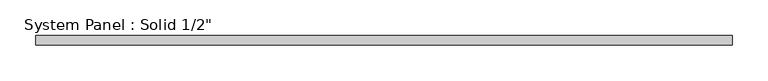
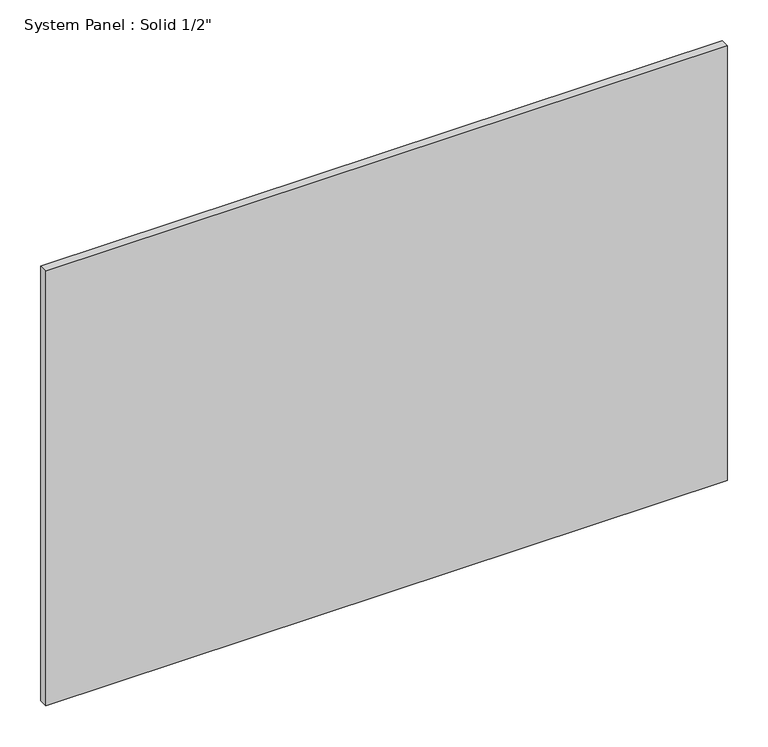
"""IFC4 building model written with IfcOpenShell, lengths in millimetres: plate geometry."""

import ifcopenshell
import ifcopenshell.guid

model = None  # the IFC model being written
_history = None  # IfcOwnerHistory: only IFC2X3 demands one
_inside = {}  # id of a spatial element -> (the spatial element, [elements in it])
_under = {}  # id of a project, library or spatial element -> (it, [spatial elements below it])
_declared = {}  # id of a project -> (the project, [libraries it declares])
_typed = {}  # id of a type object -> (the type object, [elements of that type])
_made_of = {}  # id of a material, layer set ... -> (it, [elements and type objects made of it])


def new_model(schema):
    """Start an empty IFC model of exactly this schema.

    Asked for "IFC4X3", IfcOpenShell would pick the latest addendum, in which some entities
    have other attributes; the version numbers below select the first issue.
    IFC2X3 requires an IfcOwnerHistory on every rooted entity: one is made here for all.
    """
    global model, _history
    if schema == "IFC4X3":
        model = ifcopenshell.file(schema_version=(4, 3, 0, 0))
    else:
        model = ifcopenshell.file(schema=schema)
    _inside.clear()
    _under.clear()
    _declared.clear()
    _typed.clear()
    _made_of.clear()
    _history = None
    if model.schema == "IFC2X3":
        org = make("IfcOrganization", Name="unknown")
        user = make(
            "IfcPersonAndOrganization",
            ThePerson=make("IfcPerson", FamilyName="unknown"),
            TheOrganization=org,
        )
        app = make(
            "IfcApplication",
            ApplicationDeveloper=org,
            Version="unknown",
            ApplicationFullName="unknown",
            ApplicationIdentifier="unknown",
        )
        _history = make(
            "IfcOwnerHistory",
            OwningUser=user,
            OwningApplication=app,
            ChangeAction="ADDED",
            CreationDate=0,
        )
    return model


def make(cls, **values):
    """One entity of the class cls with the attributes given. An attribute that is None is left unset."""
    return model.create_entity(
        cls, **{name: value for name, value in values.items() if value is not None}
    )


def rooted(cls, **values):
    """An entity with a GlobalId (a new one), such as an element, a storey or a relation."""
    return make(cls, GlobalId=ifcopenshell.guid.new(), OwnerHistory=_history, **values)


def si_unit(unit_type, name, prefix=None):
    """IfcSIUnit, for example si_unit("LENGTHUNIT", "METRE", prefix="MILLI")."""
    return make("IfcSIUnit", UnitType=unit_type, Prefix=prefix, Name=name)


def assignment(units):
    """IfcUnitAssignment: the units of a project."""
    return None if units is None else make("IfcUnitAssignment", Units=units)


def point(xyz):
    """IfcCartesianPoint."""
    return None if xyz is None else make("IfcCartesianPoint", Coordinates=xyz)


def direction(xyz):
    """IfcDirection."""
    return None if xyz is None else make("IfcDirection", DirectionRatios=xyz)


def frame(location, z_axis=None, x_axis=None):
    """IfcAxis2Placement3D, a coordinate frame: its origin and axes. An axis left out is left unset."""
    return make(
        "IfcAxis2Placement3D",
        Location=point(location),
        Axis=direction(z_axis),
        RefDirection=direction(x_axis),
    )


def origin():
    """The frame at (0, 0, 0) with its axes left unset."""
    return frame((0.0, 0.0, 0.0))


def origin_with_axes():
    """The frame at (0, 0, 0) with the z axis (0, 0, 1) and the x axis (1, 0, 0) written out."""
    return frame((0.0, 0.0, 0.0), z_axis=(0.0, 0.0, 1.0), x_axis=(1.0, 0.0, 0.0))


def place(relative_to, where):
    """IfcLocalPlacement: puts the frame where relative to a parent placement (None: the world)."""
    return make(
        "IfcLocalPlacement", PlacementRelTo=relative_to, RelativePlacement=where
    )


def context(
    kind, dimensions, precision=None, world=None, true_north=None, identifier=None
):
    """IfcGeometricRepresentationContext, for example the 3D "Model" context."""
    return make(
        "IfcGeometricRepresentationContext",
        ContextIdentifier=identifier,
        ContextType=kind,
        CoordinateSpaceDimension=dimensions,
        Precision=precision,
        WorldCoordinateSystem=world,
        TrueNorth=true_north,
    )


def project(units=None, contexts=None):
    """IfcProject with its units and contexts."""
    return rooted(
        "IfcProject",
        Name="project",
        RepresentationContexts=contexts,
        UnitsInContext=assignment(units),
    )


def spatial(cls, under=None, at=None, **own):
    """A site, building, storey or space (cls), placed at a placement, below another one or the project."""
    s = rooted(cls, ObjectPlacement=at, **own)
    if under is not None:
        _under.setdefault(under.id(), (under, []))[1].append(s)
    return s


def polyline(points):
    """IfcPolyline through the points."""
    return make("IfcPolyline", Points=[point(p) for p in points])


def outline(outer, holes=None, kind="AREA"):
    """IfcArbitraryClosedProfileDef: a profile drawn as a closed curve; with holes, ...WithVoids."""
    if holes is None:
        return make("IfcArbitraryClosedProfileDef", ProfileType=kind, OuterCurve=outer)
    return make(
        "IfcArbitraryProfileDefWithVoids",
        ProfileType=kind,
        OuterCurve=outer,
        InnerCurves=holes,
    )


def extrude(swept, where, along, depth):
    """IfcExtrudedAreaSolid: the profile swept, set in the frame where, extruded along a direction by depth."""
    return make(
        "IfcExtrudedAreaSolid",
        SweptArea=swept,
        Position=where,
        ExtrudedDirection=direction(along),
        Depth=depth,
    )


def shape(context_of_items, identifier, shape_type, items):
    """IfcShapeRepresentation: the items that make up one representation, for example the "Body"."""
    return make(
        "IfcShapeRepresentation",
        ContextOfItems=context_of_items,
        RepresentationIdentifier=identifier,
        RepresentationType=shape_type,
        Items=items,
    )


def source(mapping_origin, context_of_items, identifier, shape_type, items):
    """IfcRepresentationMap: a shape defined once, which mapped items show again and again."""
    return make(
        "IfcRepresentationMap",
        MappingOrigin=mapping_origin,
        MappedRepresentation=shape(context_of_items, identifier, shape_type, items),
    )


def transform(
    local_origin,
    x_axis=None,
    y_axis=None,
    z_axis=None,
    scale=None,
    scale2=None,
    scale3=None,
    uniform=True,
):
    """IfcCartesianTransformationOperator3D, or its non-uniform kind. x_axis, y_axis, z_axis: its Axis1, 2, 3."""
    if uniform:
        return make(
            "IfcCartesianTransformationOperator3D",
            Axis1=direction(x_axis),
            Axis2=direction(y_axis),
            LocalOrigin=point(local_origin),
            Scale=scale,
            Axis3=direction(z_axis),
        )
    return make(
        "IfcCartesianTransformationOperator3DnonUniform",
        Axis1=direction(x_axis),
        Axis2=direction(y_axis),
        LocalOrigin=point(local_origin),
        Scale=scale,
        Axis3=direction(z_axis),
        Scale2=scale2,
        Scale3=scale3,
    )


def mapped(mapping_source, mapping_target):
    """IfcMappedItem: shows the shape of a source again, moved by a transform."""
    return make(
        "IfcMappedItem", MappingSource=mapping_source, MappingTarget=mapping_target
    )


def made_of(thing, what):
    """Note that an element or type object is made of a material, layer set ...; save() writes the relation."""
    if what is not None:
        _made_of.setdefault(what.id(), (what, []))[1].append(thing)
    return thing


def element(
    cls,
    number,
    at=None,
    inside=None,
    cuts=None,
    type_object=None,
    material=None,
    context=None,
    identifier="Body",
    shape_type=None,
    held_by="IfcProductDefinitionShape",
    body=None,
    shapes=None,
    **own,
):
    """One element of the class cls, such as IfcWall. Its Tag is "e" and its number.

    at: its placement. inside: the storey or other place that contains it. cuts: it is an
    opening in that element (IfcRelVoidsElement). A single representation is given by context,
    identifier, shape_type and body (its items); several are given by shapes. held_by: the class
    of the entity that holds the representations. save() writes the other relations.
    """
    e = rooted(cls, Tag="e%d" % number, ObjectPlacement=at, **own)
    if body is not None:
        shapes = [shape(context, identifier, shape_type, body)]
    if shapes is not None:
        e.Representation = make(held_by, Representations=shapes)
    if inside is not None:
        _inside.setdefault(inside.id(), (inside, []))[1].append(e)
    if cuts is not None:
        rooted(
            "IfcRelVoidsElement", RelatingBuildingElement=cuts, RelatedOpeningElement=e
        )
    if type_object is not None:
        _typed.setdefault(type_object.id(), (type_object, []))[1].append(e)
    return made_of(e, material)


def aggregate(whole, parts):
    """IfcRelAggregates: a whole, such as a stair, and the parts it consists of."""
    return rooted("IfcRelAggregates", RelatingObject=whole, RelatedObjects=parts)


def save(model, path):
    """Write the relations noted so far, then the file.

    IfcRelAggregates (storeys below a building ...), IfcRelContainedInSpatialStructure (elements
    in a storey), IfcRelDefinesByType, IfcRelAssociatesMaterial and IfcRelDeclares: one each for
    every whole, place, type object, material and project.
    """
    for whole, parts in _under.values():
        aggregate(whole, parts)
    for where, things in _inside.values():
        rooted(
            "IfcRelContainedInSpatialStructure",
            RelatedElements=things,
            RelatingStructure=where,
        )
    for kind, things in _typed.values():
        rooted("IfcRelDefinesByType", RelatedObjects=things, RelatingType=kind)
    for what, things in _made_of.values():
        rooted("IfcRelAssociatesMaterial", RelatedObjects=things, RelatingMaterial=what)
    for by, libraries in _declared.values():
        rooted("IfcRelDeclares", RelatingContext=by, RelatedDefinitions=libraries)
    model.write(path)


def plate_ad0c4db8(model_context):
    return source(origin(), model_context, "Body", "SweptSolid", [
        extrude(outline(polyline([(484.7166667, -6.35), (-484.7166667, -6.35), (-484.7166667, 6.35), (484.7166667, 6.35), (484.7166667, -6.35)])), origin_with_axes(), (0.0, 0.0, 1.0), 654.05),
    ])


if __name__ == "__main__":
    model = new_model("IFC4")
    model_context = context("Model", 3, world=origin())
    ifc_project = project(units=[si_unit("LENGTHUNIT", "METRE", prefix="MILLI")], contexts=[model_context])
    site = spatial("IfcSite", under=ifc_project)
    building = spatial("IfcBuilding", under=site)
    placement = place(None, origin())
    plate_shape = plate_ad0c4db8(model_context)
    element("IfcPlate", 1, ObjectType="System Panel : Solid 1/2\"", at=placement, inside=building, context=model_context, shape_type="MappedRepresentation", body=[
        mapped(plate_shape, transform((0.0, 0.0, 0.0), x_axis=(1.0, 0.0, 0.0), y_axis=(0.0, 1.0, 0.0), z_axis=(0.0, 0.0, 1.0))),
    ])
    save(model, "model.ifc")
